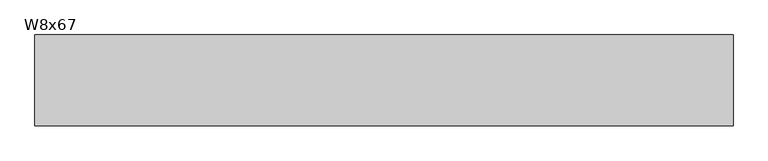
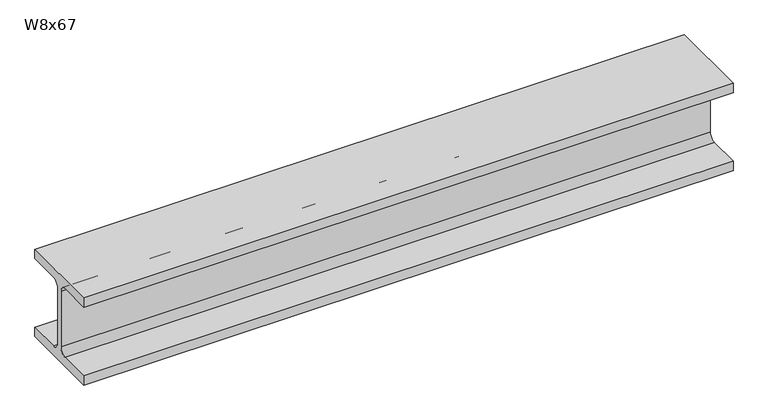
"""IFC4 building model written with IfcOpenShell, lengths in millimetres: beam geometry, W8x67."""

from ifc_helpers import new_model, si_unit, point, frame, frame_2d, origin, place, context, project, spatial, polyline, circle_curve, trimmed, segment, composite_curve, outline, extrude, source, transform, mapped, element, save


def w8x67_871d4571(model_context):
    return source(origin(), model_context, "Body", "SweptSolid", [
        extrude(outline(composite_curve([segment(polyline([(-105.156, -90.551), (-24.765, -90.551)]), True, "CONTINUOUS"), segment(trimmed(circle_curve(frame_2d((-24.765, -73.025)), 17.526), [point((-24.765, -90.551))], [point((-7.239, -73.025))], True, "CARTESIAN"), True, "CONTINUOUS"), segment(polyline([(-7.239, -73.025), (-7.239, 73.025)]), True, "CONTINUOUS"), segment(trimmed(circle_curve(frame_2d((-24.765, 73.025)), 17.526), [point((-7.239, 73.025))], [point((-24.765, 90.551))], True, "CARTESIAN"), True, "CONTINUOUS"), segment(polyline([(-24.765, 90.551), (-105.156, 90.551), (-105.156, 114.3), (105.156, 114.3), (105.156, 90.551), (24.765, 90.551)]), True, "CONTINUOUS"), segment(trimmed(circle_curve(frame_2d((24.765, 73.025)), 17.526), [point((24.765, 90.551))], [point((7.239, 73.025))], True, "CARTESIAN"), True, "CONTINUOUS"), segment(polyline([(7.239, 73.025), (7.239, -73.025)]), True, "CONTINUOUS"), segment(trimmed(circle_curve(frame_2d((24.765, -73.025)), 17.526), [point((7.239, -73.025))], [point((24.765, -90.551))], True, "CARTESIAN"), True, "CONTINUOUS"), segment(polyline([(24.765, -90.551), (105.156, -90.551), (105.156, -114.3), (-105.156, -114.3), (-105.156, -90.551)]), True, "CONTINUOUS")], self_intersect=False)), frame((-806.45, 0.0, 0.0), z_axis=(1.0, 0.0, 0.0), x_axis=(0.0, 1.0, 0.0)), (0.0, 0.0, 1.0), 1612.9),
    ])


if __name__ == "__main__":
    model = new_model("IFC4")
    model_context = context("Model", 3, world=origin())
    ifc_project = project(units=[si_unit("LENGTHUNIT", "METRE", prefix="MILLI")], contexts=[model_context])
    site = spatial("IfcSite", under=ifc_project)
    building = spatial("IfcBuilding", under=site)
    placement = place(None, origin())
    w8x67_shape = w8x67_871d4571(model_context)
    element("IfcBeam", 1, ObjectType="W8x67", at=placement, inside=building, context=model_context, shape_type="MappedRepresentation", body=[
        mapped(w8x67_shape, transform((0.0, 0.0, 0.0), x_axis=(1.0, 0.0, 0.0), y_axis=(0.0, 1.0, 0.0), z_axis=(0.0, 0.0, 1.0))),
    ])
    save(model, "model.ifc")
